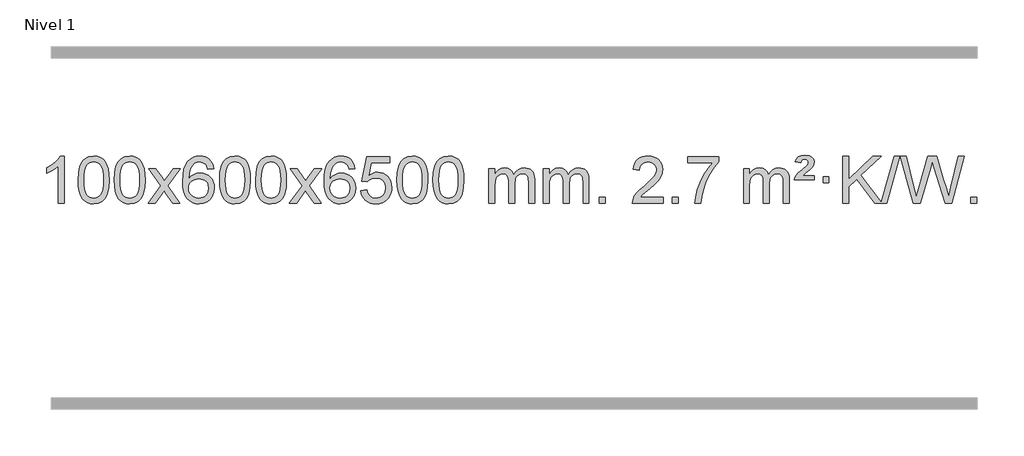
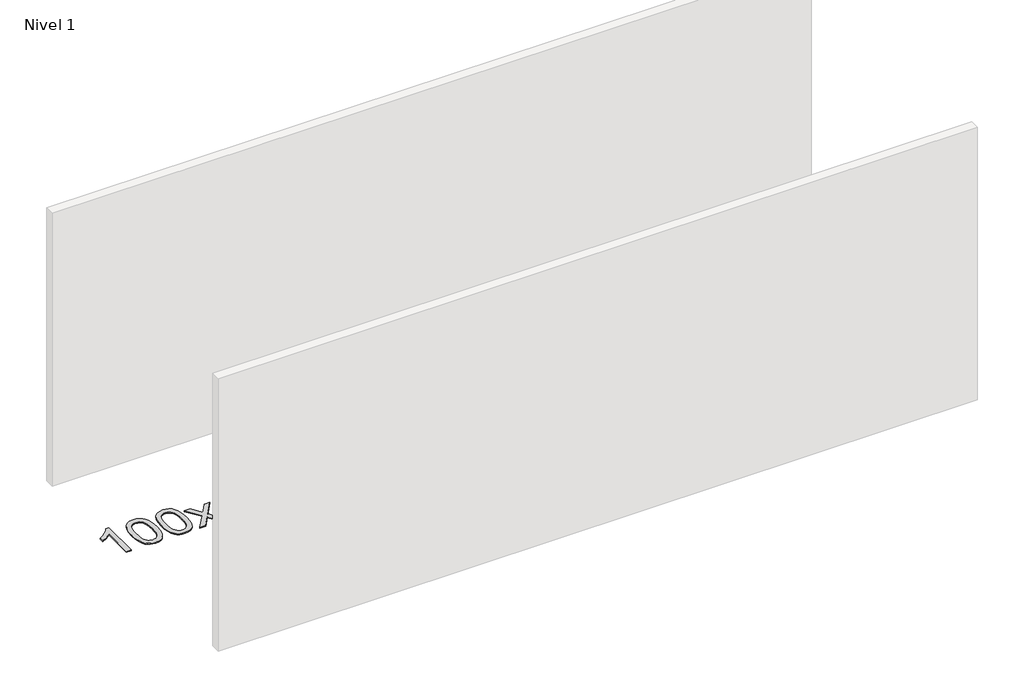
# One storey, part 17 of 25: 1 proxy.
"""IFC4 building model written with IfcOpenShell, lengths in millimetres."""

from ifc_helpers import new_model, si_unit, origin, origin_with_axes, place, context, project, spatial, polyline, outline, extrude, element, save

model = new_model("IFC4")

# Units and contexts
model_context = context("Model", 3, world=origin())
ifc_project = project(units=[si_unit("LENGTHUNIT", "METRE", prefix="MILLI")], contexts=[model_context])

# Site, building, storey
site = spatial("IfcSite", under=ifc_project)
building = spatial("IfcBuilding", under=site)
storey = spatial("IfcBuildingStorey", under=building, Name="Nivel 1", Elevation=0.0)

# Proxy
placement = place(None, origin())
element("IfcBuildingElementProxy", 1, Name="Texto de modelo 1", ObjectType="Texto de modelo 1", at=placement, inside=storey, context=model_context, shape_type="SweptSolid", body=[
    extrude(outline(polyline([(-121.6378538, -18485.579453), (-171.8660089, -18485.579453), (-171.8660089, -18172.4382987), (-192.8352826, -18189.3976587), (-219.4454136, -18206.3324932), (-272.3223191, -18231.6918254), (-272.3223191, -18184.2105225), (-232.8731065, -18162.7507395), (-198.6968691, -18137.219729), (-171.7556443, -18110.0700378), (-154.0114694, -18083.7542124), (-121.6378538, -18083.7542124), (-121.6378538, -18485.579453)])), origin_with_axes(), (0.0, 0.0, 1.0), 10.0),
    extrude(outline(polyline([(-2.3459855, -18287.9041943), (1.3450971, -18223.5861588), (12.4183452, -18172.2911459), (30.763394, -18133.2343407), (42.621457, -18118.0009605), (56.269879, -18105.6309284), (71.7546453, -18096.0598651), (89.1217412, -18089.2233914), (129.5029215, -18083.7542124), (160.4540601, -18086.991574), (188.167837, -18096.7036586), (211.3444027, -18112.5103217), (228.6839074, -18134.0314184), (241.7805065, -18161.0830078), (252.2283551, -18193.4811488), (259.0709602, -18234.6226186), (261.3518286, -18287.9041943), (257.6975341, -18351.8543477), (246.7346507, -18403.0267333), (228.4999664, -18442.1203266), (216.6694946, -18457.3996922), (203.0302696, -18469.8341036), (187.5271092, -18479.4695462), (170.1048311, -18486.3520052), (129.5029215, -18491.8579724), (101.8381955, -18489.4667394), (77.3127291, -18482.2930405), (55.9265225, -18470.3368757), (37.6795755, -18453.5982449), (20.1683926, -18423.3399508), (7.6604047, -18385.6381776), (0.155612, -18340.4929255), (-2.3459855, -18287.9041943)]), holes=[polyline([(47.8821695, -18287.8060924), (49.3536975, -18331.4706195), (53.7682815, -18366.8148822), (61.1259214, -18393.8388804), (71.4266172, -18412.5426142), (83.8855541, -18425.2682656), (97.7179171, -18434.3580165), (112.9237063, -18439.8118671), (129.5029215, -18441.6298173), (146.0821368, -18439.8057357), (161.2879259, -18434.3334911), (175.1202889, -18425.2130833), (187.5792258, -18412.4445124), (197.8799217, -18393.7101217), (205.2375616, -18366.6922549), (209.6521455, -18331.3909118), (211.1236735, -18287.8060924), (209.7011965, -18245.2973278), (205.4337653, -18210.5753989), (198.3213801, -18183.6403055), (188.3640408, -18164.4920476), (176.1135703, -18151.1440625), (162.1217918, -18141.6097875), (146.3887051, -18135.8892225), (128.9143103, -18133.9823675), (112.4209342, -18135.6623619), (97.4726625, -18140.7023452), (84.0694951, -18149.1023175), (72.2114321, -18160.8622786), (61.5673797, -18181.708925), (53.9644852, -18209.8151094), (49.4027484, -18245.1808319), (47.8821695, -18287.8060924)])]), origin_with_axes(), (0.0, 0.0, 1.0), 10.0),
    extrude(outline(polyline([(305.3014643, -18287.9041943), (308.992547, -18223.5861588), (320.065795, -18172.2911459), (338.4108439, -18133.2343407), (350.2689068, -18118.0009605), (363.9173289, -18105.6309284), (379.4020952, -18096.0598651), (396.769191, -18089.2233914), (437.1503714, -18083.7542124), (468.1015099, -18086.991574), (495.8152869, -18096.7036586), (518.9918526, -18112.5103217), (536.3313573, -18134.0314184), (549.4279563, -18161.0830078), (559.8758049, -18193.4811488), (566.7184101, -18234.6226186), (568.9992784, -18287.9041943), (565.3449839, -18351.8543477), (554.3821005, -18403.0267333), (536.1474163, -18442.1203266), (524.3169444, -18457.3996922), (510.6777195, -18469.8341036), (495.174559, -18479.4695462), (477.7522809, -18486.3520052), (437.1503714, -18491.8579724), (409.4856453, -18489.4667394), (384.960179, -18482.2930405), (363.5739723, -18470.3368757), (345.3270254, -18453.5982449), (327.8158424, -18423.3399508), (315.3078546, -18385.6381776), (307.8030619, -18340.4929255), (305.3014643, -18287.9041943)]), holes=[polyline([(355.5296194, -18287.8060924), (357.0011473, -18331.4706195), (361.4157313, -18366.8148822), (368.7733712, -18393.8388804), (379.0740671, -18412.5426142), (391.533004, -18425.2682656), (405.365367, -18434.3580165), (420.5711561, -18439.8118671), (437.1503714, -18441.6298173), (453.7295866, -18439.8057357), (468.9353757, -18434.3334911), (482.7677388, -18425.2130833), (495.2266757, -18412.4445124), (505.5273715, -18393.7101217), (512.8850114, -18366.6922549), (517.2995954, -18331.3909118), (518.7711234, -18287.8060924), (517.3486463, -18245.2973278), (513.0812152, -18210.5753989), (505.9688299, -18183.6403055), (496.0114906, -18164.4920476), (483.7610201, -18151.1440625), (469.7692416, -18141.6097875), (454.0361549, -18135.8892225), (436.5617602, -18133.9823675), (420.068384, -18135.6623619), (405.1201123, -18140.7023452), (391.716945, -18149.1023175), (379.858882, -18160.8622786), (369.2148296, -18181.708925), (361.611935, -18209.8151094), (357.0501983, -18245.1808319), (355.5296194, -18287.8060924)])]), origin_with_axes(), (0.0, 0.0, 1.0), 10.0),
    extrude(outline(polyline([(594.113356, -18485.579453), (701.4367967, -18337.1513307), (600.3918754, -18190.4890419), (660.6264207, -18190.4890419), (709.3830478, -18261.2204869), (732.2407824, -18294.4770192), (752.0573592, -18267.2047007), (807.583015, -18190.4890419), (868.0137641, -18190.4890419), (761.8675458, -18337.2494325), (864.0896895, -18485.579453), (803.7570423, -18485.579453), (742.1490708, -18396.3067555), (730.9654582, -18379.923744), (654.544105, -18485.579453), (594.113356, -18485.579453)])), origin_with_axes(), (0.0, 0.0, 1.0), 10.0),
    extrude(outline(polyline([(1152.9015812, -18190.4890419), (1102.6734261, -18196.7675613), (1094.5800222, -18171.874213), (1083.6416642, -18154.8780648), (1060.857506, -18139.2062918), (1033.3154073, -18133.9823675), (1009.9671633, -18137.0235253), (987.9923455, -18146.1469988), (969.1199991, -18165.3627017), (953.7057435, -18191.8134171), (943.2946831, -18229.227016), (939.4319221, -18281.3313693), (959.5795927, -18257.8237098), (983.7249143, -18241.2567573), (1010.5189863, -18231.434308), (1038.612908, -18228.1601582), (1062.7459669, -18230.398107), (1085.0150903, -18237.1119534), (1105.4202783, -18248.3016975), (1123.9615309, -18263.9673391), (1139.3696551, -18283.1769106), (1150.3754581, -18304.9984443), (1156.97894, -18329.4319401), (1159.1801006, -18356.4773982), (1155.0352967, -18392.4439945), (1142.6008853, -18425.786366), (1122.9069358, -18454.0642287), (1096.9835179, -18474.8372987), (1066.0078539, -18487.602804), (1031.1571662, -18491.8579724), (1001.2146375, -18489.0375437), (974.1722452, -18480.5762579), (950.0299893, -18466.4741147), (928.7878697, -18446.7311143), (911.4698248, -18420.5133908), (899.0997927, -18386.9870783), (891.6777734, -18346.1521768), (889.203767, -18298.0086864), (891.9506193, -18244.0342663), (900.191176, -18197.9693092), (913.9254371, -18159.8138149), (933.1534027, -18129.5677835), (953.9939177, -18109.5243462), (978.1576335, -18095.2076052), (1005.6445499, -18086.6175606), (1036.454667, -18083.7542124), (1059.5883131, -18085.5261773), (1080.52693, -18090.8420722), (1099.2705176, -18099.7018969), (1115.8190761, -18112.1056515), (1129.7250155, -18127.6364031), (1140.5407461, -18145.8772186), (1148.266268, -18166.8280983), (1152.9015812, -18190.4890419)]), holes=[polyline([(939.4319221, -18355.6925832), (942.3381899, -18377.9494439), (951.0569932, -18399.2007605), (964.5950506, -18417.472233), (981.9590807, -18430.7895612), (1002.9160917, -18438.9197533), (1027.2330916, -18441.6298173), (1060.3792594, -18436.0134855), (1074.2943959, -18428.9930708), (1086.4375674, -18419.1644901), (1096.2876078, -18406.9262824), (1103.323351, -18392.6769865), (1108.9519455, -18358.1451299), (1103.3969274, -18324.9989621), (1096.4531547, -18311.3781312), (1086.731873, -18299.725469), (1074.5519133, -18290.3904634), (1060.2321066, -18283.7226022), (1025.1729524, -18278.3883133), (992.0758356, -18283.7226022), (964.3988468, -18299.725469), (953.4758173, -18311.2248471), (945.6736533, -18324.3858254), (940.9923549, -18339.2084042), (939.4319221, -18355.6925832)])]), origin_with_axes(), (0.0, 0.0, 1.0), 10.0),
    extrude(outline(polyline([(1203.1297362, -18287.9041943), (1206.8208189, -18223.5861588), (1217.894067, -18172.2911459), (1236.2391158, -18133.2343407), (1248.0971788, -18118.0009605), (1261.7456008, -18105.6309284), (1277.2303671, -18096.0598651), (1294.597463, -18089.2233914), (1334.9786433, -18083.7542124), (1365.9297818, -18086.991574), (1393.6435588, -18096.7036586), (1416.8201245, -18112.5103217), (1434.1596292, -18134.0314184), (1447.2562282, -18161.0830078), (1457.7040769, -18193.4811488), (1464.546682, -18234.6226186), (1466.8275504, -18287.9041943), (1463.1732559, -18351.8543477), (1452.2103725, -18403.0267333), (1433.9756882, -18442.1203266), (1422.1452164, -18457.3996922), (1408.5059914, -18469.8341036), (1393.002831, -18479.4695462), (1375.5805529, -18486.3520052), (1334.9786433, -18491.8579724), (1307.3139173, -18489.4667394), (1282.7884509, -18482.2930405), (1261.4022443, -18470.3368757), (1243.1552973, -18453.5982449), (1225.6441144, -18423.3399508), (1213.1361265, -18385.6381776), (1205.6313338, -18340.4929255), (1203.1297362, -18287.9041943)]), holes=[polyline([(1253.3578913, -18287.8060924), (1254.8294193, -18331.4706195), (1259.2440032, -18366.8148822), (1266.6016432, -18393.8388804), (1276.902339, -18412.5426142), (1289.3612759, -18425.2682656), (1303.1936389, -18434.3580165), (1318.3994281, -18439.8118671), (1334.9786433, -18441.6298173), (1351.5578586, -18439.8057357), (1366.7636477, -18434.3334911), (1380.5960107, -18425.2130833), (1393.0549476, -18412.4445124), (1403.3556435, -18393.7101217), (1410.7132834, -18366.6922549), (1415.1278673, -18331.3909118), (1416.5993953, -18287.8060924), (1415.1769183, -18245.2973278), (1410.9094871, -18210.5753989), (1403.7971019, -18183.6403055), (1393.8397625, -18164.4920476), (1381.5892921, -18151.1440625), (1367.5975136, -18141.6097875), (1351.8644269, -18135.8892225), (1334.3900321, -18133.9823675), (1317.896656, -18135.6623619), (1302.9483843, -18140.7023452), (1289.5452169, -18149.1023175), (1277.6871539, -18160.8622786), (1267.0431015, -18181.708925), (1259.440207, -18209.8151094), (1254.8784702, -18245.1808319), (1253.3578913, -18287.8060924)])]), origin_with_axes(), (0.0, 0.0, 1.0), 10.0),
    extrude(outline(polyline([(1510.7771861, -18287.9041943), (1514.4682688, -18223.5861588), (1525.5415168, -18172.2911459), (1543.8865656, -18133.2343407), (1555.7446286, -18118.0009605), (1569.3930506, -18105.6309284), (1584.877817, -18096.0598651), (1602.2449128, -18089.2233914), (1642.6260932, -18083.7542124), (1673.5772317, -18086.991574), (1701.2910087, -18096.7036586), (1724.4675743, -18112.5103217), (1741.8070791, -18134.0314184), (1754.9036781, -18161.0830078), (1765.3515267, -18193.4811488), (1772.1941319, -18234.6226186), (1774.4750002, -18287.9041943), (1770.8207057, -18351.8543477), (1759.8578223, -18403.0267333), (1741.6231381, -18442.1203266), (1729.7926662, -18457.3996922), (1716.1534413, -18469.8341036), (1700.6502808, -18479.4695462), (1683.2280027, -18486.3520052), (1642.6260932, -18491.8579724), (1614.9613671, -18489.4667394), (1590.4359008, -18482.2930405), (1569.0496941, -18470.3368757), (1550.8027472, -18453.5982449), (1533.2915642, -18423.3399508), (1520.7835764, -18385.6381776), (1513.2787836, -18340.4929255), (1510.7771861, -18287.9041943)]), holes=[polyline([(1561.0053412, -18287.8060924), (1562.4768691, -18331.4706195), (1566.8914531, -18366.8148822), (1574.249093, -18393.8388804), (1584.5497888, -18412.5426142), (1597.0087258, -18425.2682656), (1610.8410888, -18434.3580165), (1626.0468779, -18439.8118671), (1642.6260932, -18441.6298173), (1659.2053084, -18439.8057357), (1674.4110975, -18434.3334911), (1688.2434606, -18425.2130833), (1700.7023975, -18412.4445124), (1711.0030933, -18393.7101217), (1718.3607332, -18366.6922549), (1722.7753172, -18331.3909118), (1724.2468452, -18287.8060924), (1722.8243681, -18245.2973278), (1718.556937, -18210.5753989), (1711.4445517, -18183.6403055), (1701.4872124, -18164.4920476), (1689.2367419, -18151.1440625), (1675.2449634, -18141.6097875), (1659.5118767, -18135.8892225), (1642.037482, -18133.9823675), (1625.5441058, -18135.6623619), (1610.5958341, -18140.7023452), (1597.1926667, -18149.1023175), (1585.3346038, -18160.8622786), (1574.6905514, -18181.708925), (1567.0876568, -18209.8151094), (1562.5259201, -18245.1808319), (1561.0053412, -18287.8060924)])]), origin_with_axes(), (0.0, 0.0, 1.0), 10.0),
    extrude(outline(polyline([(1799.5890778, -18485.579453), (1906.9125185, -18337.1513307), (1805.8675971, -18190.4890419), (1866.1021425, -18190.4890419), (1914.8587696, -18261.2204869), (1937.7165042, -18294.4770192), (1957.533081, -18267.2047007), (2013.0587368, -18190.4890419), (2073.4894859, -18190.4890419), (1967.3432676, -18337.2494325), (2069.5654113, -18485.579453), (2009.2327641, -18485.579453), (1947.6247926, -18396.3067555), (1936.44118, -18379.923744), (1860.0198268, -18485.579453), (1799.5890778, -18485.579453)])), origin_with_axes(), (0.0, 0.0, 1.0), 10.0),
    extrude(outline(polyline([(2358.377303, -18190.4890419), (2308.1491479, -18196.7675613), (2300.055744, -18171.874213), (2289.117386, -18154.8780648), (2266.3332278, -18139.2062918), (2238.7911291, -18133.9823675), (2215.4428851, -18137.0235253), (2193.4680673, -18146.1469988), (2174.5957209, -18165.3627017), (2159.1814653, -18191.8134171), (2148.7704049, -18229.227016), (2144.9076439, -18281.3313693), (2165.0553145, -18257.8237098), (2189.2006361, -18241.2567573), (2215.9947081, -18231.434308), (2244.0886298, -18228.1601582), (2268.2216887, -18230.398107), (2290.4908121, -18237.1119534), (2310.8960001, -18248.3016975), (2329.4372527, -18263.9673391), (2344.8453769, -18283.1769106), (2355.8511799, -18304.9984443), (2362.4546617, -18329.4319401), (2364.6558224, -18356.4773982), (2360.5110185, -18392.4439945), (2348.0766071, -18425.786366), (2328.3826576, -18454.0642287), (2302.4592397, -18474.8372987), (2271.4835757, -18487.602804), (2236.632888, -18491.8579724), (2206.6903593, -18489.0375437), (2179.647967, -18480.5762579), (2155.505711, -18466.4741147), (2134.2635915, -18446.7311143), (2116.9455466, -18420.5133908), (2104.5755145, -18386.9870783), (2097.1534952, -18346.1521768), (2094.6794888, -18298.0086864), (2097.4263411, -18244.0342663), (2105.6668977, -18197.9693092), (2119.4011589, -18159.8138149), (2138.6291245, -18129.5677835), (2159.4696395, -18109.5243462), (2183.6333553, -18095.2076052), (2211.1202717, -18086.6175606), (2241.9303888, -18083.7542124), (2265.0640349, -18085.5261773), (2286.0026518, -18090.8420722), (2304.7462394, -18099.7018969), (2321.2947979, -18112.1056515), (2335.2007373, -18127.6364031), (2346.0164679, -18145.8772186), (2353.7419898, -18166.8280983), (2358.377303, -18190.4890419)]), holes=[polyline([(2144.9076439, -18355.6925832), (2147.8139117, -18377.9494439), (2156.5327149, -18399.2007605), (2170.0707724, -18417.472233), (2187.4348025, -18430.7895612), (2208.3918135, -18438.9197533), (2232.7088134, -18441.6298173), (2265.8549812, -18436.0134855), (2279.7701177, -18428.9930708), (2291.9132892, -18419.1644901), (2301.7633296, -18406.9262824), (2308.7990728, -18392.6769865), (2314.4276673, -18358.1451299), (2308.8726492, -18324.9989621), (2301.9288765, -18311.3781312), (2292.2075948, -18299.725469), (2280.027635, -18290.3904634), (2265.7078284, -18283.7226022), (2230.6486742, -18278.3883133), (2197.5515574, -18283.7226022), (2169.8745686, -18299.725469), (2158.9515391, -18311.2248471), (2151.1493751, -18324.3858254), (2146.4680767, -18339.2084042), (2144.9076439, -18355.6925832)])]), origin_with_axes(), (0.0, 0.0, 1.0), 10.0),
    extrude(outline(polyline([(2408.605458, -18378.8446235), (2458.8336131, -18372.5661041), (2468.0551885, -18402.7201649), (2484.1438944, -18424.3148381), (2507.0261545, -18437.3010725), (2536.6283924, -18441.6298173), (2555.7582561, -18440.1245668), (2572.631777, -18435.6088153), (2587.2489549, -18428.0825628), (2599.6097899, -18417.5458094), (2609.4383706, -18404.519721), (2616.4587853, -18389.5254641), (2622.0751171, -18353.6324441), (2616.8144046, -18319.8363514), (2610.2385139, -18305.9181493), (2601.032267, -18293.9865099), (2589.165007, -18284.4154467), (2574.606077, -18277.5789729), (2537.4132073, -18272.1097939), (2513.0471565, -18274.2925604), (2493.3164188, -18280.8408599), (2477.5588067, -18290.8717757), (2465.1121325, -18303.5023908), (2414.8839774, -18297.2238715), (2458.8336131, -18090.0327318), (2653.467714, -18090.0327318), (2653.467714, -18140.2608869), (2499.4477854, -18140.2608869), (2477.865375, -18250.919791), (2495.5911558, -18238.2155994), (2513.7461323, -18229.1411769), (2532.3303044, -18223.6965234), (2551.3436722, -18221.8816388), (2575.8078249, -18224.1318504), (2598.2854148, -18230.882485), (2618.7764419, -18242.1335427), (2637.2809062, -18257.8850234), (2652.6031913, -18277.1743027), (2663.5476807, -18299.038756), (2670.1143743, -18323.4783832), (2672.3032722, -18350.4931844), (2670.3351035, -18376.5147042), (2664.4305975, -18400.7213394), (2654.5897541, -18423.1130902), (2640.8125734, -18443.6899565), (2619.9414015, -18464.7634634), (2595.5876135, -18479.8159684), (2567.7512092, -18488.8474714), (2536.4321886, -18491.8579724), (2510.5118364, -18489.9235262), (2487.0992131, -18484.1201877), (2466.1943187, -18474.447957), (2447.7971533, -18460.9068338), (2432.4901966, -18444.1712688), (2420.8559285, -18424.915712), (2412.894349, -18403.1401636), (2408.605458, -18378.8446235)])), origin_with_axes(), (0.0, 0.0, 1.0), 10.0),
    extrude(outline(polyline([(2716.2529079, -18287.9041943), (2719.9439906, -18223.5861588), (2731.0172386, -18172.2911459), (2749.3622874, -18133.2343407), (2761.2203504, -18118.0009605), (2774.8687724, -18105.6309284), (2790.3535388, -18096.0598651), (2807.7206346, -18089.2233914), (2848.1018149, -18083.7542124), (2879.0529535, -18086.991574), (2906.7667304, -18096.7036586), (2929.9432961, -18112.5103217), (2947.2828008, -18134.0314184), (2960.3793999, -18161.0830078), (2970.8272485, -18193.4811488), (2977.6698537, -18234.6226186), (2979.950722, -18287.9041943), (2976.2964275, -18351.8543477), (2965.3335441, -18403.0267333), (2947.0988599, -18442.1203266), (2935.268388, -18457.3996922), (2921.6291631, -18469.8341036), (2906.1260026, -18479.4695462), (2888.7037245, -18486.3520052), (2848.1018149, -18491.8579724), (2820.4370889, -18489.4667394), (2795.9116226, -18482.2930405), (2774.5254159, -18470.3368757), (2756.278469, -18453.5982449), (2738.767286, -18423.3399508), (2726.2592981, -18385.6381776), (2718.7545054, -18340.4929255), (2716.2529079, -18287.9041943)]), holes=[polyline([(2766.481063, -18287.8060924), (2767.9525909, -18331.4706195), (2772.3671749, -18366.8148822), (2779.7248148, -18393.8388804), (2790.0255106, -18412.5426142), (2802.4844475, -18425.2682656), (2816.3168106, -18434.3580165), (2831.5225997, -18439.8118671), (2848.1018149, -18441.6298173), (2864.6810302, -18439.8057357), (2879.8868193, -18434.3334911), (2893.7191824, -18425.2130833), (2906.1781193, -18412.4445124), (2916.4788151, -18393.7101217), (2923.836455, -18366.6922549), (2928.251039, -18331.3909118), (2929.7225669, -18287.8060924), (2928.3000899, -18245.2973278), (2924.0326588, -18210.5753989), (2916.9202735, -18183.6403055), (2906.9629342, -18164.4920476), (2894.7124637, -18151.1440625), (2880.7206852, -18141.6097875), (2864.9875985, -18135.8892225), (2847.5132038, -18133.9823675), (2831.0198276, -18135.6623619), (2816.0715559, -18140.7023452), (2802.6683885, -18149.1023175), (2790.8103256, -18160.8622786), (2780.1662732, -18181.708925), (2772.5633786, -18209.8151094), (2768.0016419, -18245.1808319), (2766.481063, -18287.8060924)])]), origin_with_axes(), (0.0, 0.0, 1.0), 10.0),
    extrude(outline(polyline([(3023.9003577, -18287.9041943), (3027.5914404, -18223.5861588), (3038.6646885, -18172.2911459), (3057.0097373, -18133.2343407), (3068.8678003, -18118.0009605), (3082.5162223, -18105.6309284), (3098.0009886, -18096.0598651), (3115.3680844, -18089.2233914), (3155.7492648, -18083.7542124), (3186.7004033, -18086.991574), (3214.4141803, -18096.7036586), (3237.590746, -18112.5103217), (3254.9302507, -18134.0314184), (3268.0268497, -18161.0830078), (3278.4746984, -18193.4811488), (3285.3173035, -18234.6226186), (3287.5981719, -18287.9041943), (3283.9438774, -18351.8543477), (3272.9809939, -18403.0267333), (3254.7463097, -18442.1203266), (3242.9158379, -18457.3996922), (3229.2766129, -18469.8341036), (3213.7734525, -18479.4695462), (3196.3511743, -18486.3520052), (3155.7492648, -18491.8579724), (3128.0845387, -18489.4667394), (3103.5590724, -18482.2930405), (3082.1728657, -18470.3368757), (3063.9259188, -18453.5982449), (3046.4147358, -18423.3399508), (3033.906748, -18385.6381776), (3026.4019553, -18340.4929255), (3023.9003577, -18287.9041943)]), holes=[polyline([(3074.1285128, -18287.8060924), (3075.6000408, -18331.4706195), (3080.0146247, -18366.8148822), (3087.3722646, -18393.8388804), (3097.6729605, -18412.5426142), (3110.1318974, -18425.2682656), (3123.9642604, -18434.3580165), (3139.1700495, -18439.8118671), (3155.7492648, -18441.6298173), (3172.32848, -18439.8057357), (3187.5342692, -18434.3334911), (3201.3666322, -18425.2130833), (3213.8255691, -18412.4445124), (3224.126265, -18393.7101217), (3231.4839049, -18366.6922549), (3235.8984888, -18331.3909118), (3237.3700168, -18287.8060924), (3235.9475397, -18245.2973278), (3231.6801086, -18210.5753989), (3224.5677233, -18183.6403055), (3214.610384, -18164.4920476), (3202.3599136, -18151.1440625), (3188.368135, -18141.6097875), (3172.6350484, -18135.8892225), (3155.1606536, -18133.9823675), (3138.6672775, -18135.6623619), (3123.7190057, -18140.7023452), (3110.3158384, -18149.1023175), (3098.4577754, -18160.8622786), (3087.813723, -18181.708925), (3080.2108284, -18209.8151094), (3075.6490917, -18245.1808319), (3074.1285128, -18287.8060924)])]), origin_with_axes(), (0.0, 0.0, 1.0), 10.0),
    extrude(outline(polyline([(3501.0678309, -18485.579453), (3501.0678309, -18190.4890419), (3551.295986, -18190.4890419), (3551.295986, -18239.0494653), (3566.4036733, -18216.7435537), (3585.8278426, -18199.2691589), (3608.9063064, -18187.9751816), (3634.9768772, -18184.2105225), (3662.9113833, -18188.048758), (3685.3031341, -18199.5634645), (3702.0295022, -18217.9943524), (3712.9678601, -18242.5811324), (3731.2761208, -18217.0439906), (3752.1595554, -18198.803175), (3775.6181639, -18187.8586857), (3801.6519464, -18184.2105225), (3821.7597632, -18185.7280358), (3839.4089019, -18190.2805755), (3854.5993626, -18197.8681416), (3867.3311453, -18208.4907342), (3877.3957836, -18222.2709806), (3884.5848109, -18239.3315082), (3888.8982273, -18259.6723168), (3890.3360328, -18283.2934066), (3890.3360328, -18485.579453), (3840.1078777, -18485.579453), (3840.1078777, -18304.875817), (3838.942918, -18279.8230531), (3835.4480391, -18262.9372695), (3828.8997396, -18251.3735121), (3818.5745182, -18242.2868268), (3805.2939782, -18236.4007149), (3789.8797226, -18234.4386776), (3762.6687177, -18239.4663982), (3740.4854334, -18254.54956), (3731.8800604, -18266.1194488), (3725.7333654, -18280.7182326), (3720.8160094, -18319.0024856), (3720.8160094, -18485.579453), (3670.5878543, -18485.579453), (3670.5878543, -18299.2840106), (3667.6815865, -18270.8835206), (3658.9627833, -18250.6254854), (3643.6221041, -18238.4853796), (3620.8502086, -18234.4386776), (3601.4996156, -18237.1364789), (3583.6696016, -18245.2298828), (3568.9543218, -18258.5226856), (3558.9479315, -18276.8186835), (3553.2089724, -18302.2025411), (3551.295986, -18336.7589232), (3551.295986, -18485.579453), (3501.0678309, -18485.579453)])), origin_with_axes(), (0.0, 0.0, 1.0), 10.0),
    extrude(outline(polyline([(3965.6782654, -18485.579453), (3965.6782654, -18190.4890419), (4015.9064204, -18190.4890419), (4015.9064204, -18239.0494653), (4031.0141077, -18216.7435537), (4050.4382771, -18199.2691589), (4073.5167409, -18187.9751816), (4099.5873116, -18184.2105225), (4127.5218178, -18188.048758), (4149.9135685, -18199.5634645), (4166.6399366, -18217.9943524), (4177.5782946, -18242.5811324), (4195.8865552, -18217.0439906), (4216.7699898, -18198.803175), (4240.2285984, -18187.8586857), (4266.2623809, -18184.2105225), (4286.3701976, -18185.7280358), (4304.0193363, -18190.2805755), (4319.209797, -18197.8681416), (4331.9415798, -18208.4907342), (4342.006218, -18222.2709806), (4349.1952453, -18239.3315082), (4353.5086617, -18259.6723168), (4354.9464672, -18283.2934066), (4354.9464672, -18485.579453), (4304.7183121, -18485.579453), (4304.7183121, -18304.875817), (4303.5533525, -18279.8230531), (4300.0584735, -18262.9372695), (4293.510174, -18251.3735121), (4283.1849527, -18242.2868268), (4269.9044126, -18236.4007149), (4254.490157, -18234.4386776), (4227.2791521, -18239.4663982), (4205.0958678, -18254.54956), (4196.4904948, -18266.1194488), (4190.3437998, -18280.7182326), (4185.4264438, -18319.0024856), (4185.4264438, -18485.579453), (4135.1982887, -18485.579453), (4135.1982887, -18299.2840106), (4132.292021, -18270.8835206), (4123.5732177, -18250.6254854), (4108.2325385, -18238.4853796), (4085.460643, -18234.4386776), (4066.11005, -18237.1364789), (4048.280036, -18245.2298828), (4033.5647562, -18258.5226856), (4023.5583659, -18276.8186835), (4017.8194068, -18302.2025411), (4015.9064204, -18336.7589232), (4015.9064204, -18485.579453), (3965.6782654, -18485.579453)])), origin_with_axes(), (0.0, 0.0, 1.0), 10.0),
    extrude(outline(polyline([(4442.8457386, -18485.579453), (4442.8457386, -18435.3512979), (4493.0738936, -18435.3512979), (4493.0738936, -18485.579453), (4442.8457386, -18485.579453)])), origin_with_axes(), (0.0, 0.0, 1.0), 10.0),
    extrude(outline(polyline([(4989.076925, -18435.3512979), (4989.076925, -18485.579453), (4725.3791109, -18485.579453), (4726.4827569, -18467.8965918), (4730.7747135, -18450.9494945), (4743.1723367, -18423.8856424), (4761.3334445, -18397.6311307), (4787.5879563, -18370.1503456), (4824.2657912, -18339.4076736), (4878.4548091, -18291.2641831), (4910.9387892, -18255.7267824), (4927.1623852, -18226.884834), (4932.5702506, -18198.8277005), (4927.4566908, -18173.6768347), (4912.1160116, -18152.7688747), (4888.5347757, -18138.6789943), (4858.6995459, -18133.9823675), (4827.3682627, -18138.5686297), (4803.0267373, -18152.3274163), (4787.3181761, -18174.1796068), (4781.8857853, -18203.0460807), (4731.6576303, -18196.7675613), (4735.977178, -18170.838012), (4743.8345243, -18148.1826125), (4755.2296691, -18128.8013627), (4770.1626124, -18112.6942627), (4788.2899977, -18100.0329907), (4809.2684685, -18090.989225), (4833.0980247, -18085.5629655), (4859.7786664, -18083.7542124), (4886.6984314, -18085.7653006), (4910.6567464, -18091.7985654), (4931.6536112, -18101.8540066), (4949.6890261, -18115.9316242), (4964.1743796, -18132.9890861), (4974.5210607, -18151.9840598), (4980.7290694, -18172.9165453), (4982.7984056, -18195.7865427), (4980.5665882, -18219.8092369), (4973.8711359, -18243.4149983), (4961.9885474, -18267.4254299), (4944.1953216, -18292.6621347), (4915.8316198, -18322.7916701), (4872.2376033, -18361.4805933), (4814.4556046, -18409.795762), (4791.7940737, -18435.3512979), (4989.076925, -18435.3512979)])), origin_with_axes(), (0.0, 0.0, 1.0), 10.0),
    extrude(outline(polyline([(5064.4191576, -18485.579453), (5064.4191576, -18435.3512979), (5114.6473127, -18435.3512979), (5114.6473127, -18485.579453), (5064.4191576, -18485.579453)])), origin_with_axes(), (0.0, 0.0, 1.0), 10.0),
    extrude(outline(polyline([(5196.2680647, -18140.2608869), (5196.2680647, -18090.0327318), (5459.9658788, -18090.0327318), (5459.9658788, -18130.646904), (5422.3806017, -18178.214046), (5385.1632065, -18238.7061088), (5352.3358698, -18306.6048623), (5327.920768, -18376.3920768), (5315.9523405, -18428.6067947), (5309.2814136, -18485.579453), (5259.0532585, -18485.579453), (5264.4856493, -18433.8061935), (5279.0169881, -18372.2717985), (5302.2548675, -18307.0463207), (5333.80688, -18244.1998132), (5370.6441304, -18187.3865704), (5409.7377238, -18140.2608869), (5196.2680647, -18140.2608869)])), origin_with_axes(), (0.0, 0.0, 1.0), 10.0),
    extrude(outline(polyline([(5673.4355379, -18485.579453), (5673.4355379, -18190.4890419), (5723.663693, -18190.4890419), (5723.663693, -18239.0494653), (5738.7713803, -18216.7435537), (5758.1955496, -18199.2691589), (5781.2740134, -18187.9751816), (5807.3445842, -18184.2105225), (5835.2790903, -18188.048758), (5857.6708411, -18199.5634645), (5874.3972091, -18217.9943524), (5885.3355671, -18242.5811324), (5903.6438278, -18217.0439906), (5924.5272623, -18198.803175), (5947.9858709, -18187.8586857), (5974.0196534, -18184.2105225), (5994.1274702, -18185.7280358), (6011.7766089, -18190.2805755), (6026.9670696, -18197.8681416), (6039.6988523, -18208.4907342), (6049.7634906, -18222.2709806), (6056.9525179, -18239.3315082), (6061.2659343, -18259.6723168), (6062.7037397, -18283.2934066), (6062.7037397, -18485.579453), (6012.4755847, -18485.579453), (6012.4755847, -18304.875817), (6011.310625, -18279.8230531), (6007.8157461, -18262.9372695), (6001.2674465, -18251.3735121), (5990.9422252, -18242.2868268), (5977.6616852, -18236.4007149), (5962.2474296, -18234.4386776), (5935.0364247, -18239.4663982), (5912.8531404, -18254.54956), (5904.2477674, -18266.1194488), (5898.1010724, -18280.7182326), (5893.1837164, -18319.0024856), (5893.1837164, -18485.579453), (5842.9555613, -18485.579453), (5842.9555613, -18299.2840106), (5840.0492935, -18270.8835206), (5831.3304902, -18250.6254854), (5815.989811, -18238.4853796), (5793.2179155, -18234.4386776), (5773.8673226, -18237.1364789), (5756.0373086, -18245.2298828), (5741.3220287, -18258.5226856), (5731.3156385, -18276.8186835), (5725.5766794, -18302.2025411), (5723.663693, -18336.7589232), (5723.663693, -18485.579453), (5673.4355379, -18485.579453)])), origin_with_axes(), (0.0, 0.0, 1.0), 10.0),
    extrude(outline(polyline([(6106.6533754, -18284.6668327), (6110.4793482, -18268.8479069), (6118.8180067, -18252.9799302), (6140.3268407, -18227.8413272), (6172.2835234, -18200.1030247), (6216.4293628, -18162.726214), (6223.5662735, -18151.1992448), (6225.9452437, -18139.3779701), (6224.0567828, -18127.2869152), (6218.3914001, -18117.5012541), (6209.022672, -18111.026531), (6196.0241748, -18108.8682899), (6183.5897634, -18110.4869707), (6174.73607, -18115.343013), (6168.3103978, -18124.8098431), (6163.1600499, -18140.2608869), (6112.9318948, -18133.9823675), (6123.7721509, -18108.7701881), (6140.4004171, -18091.2099542), (6164.165594, -18080.9092583), (6196.4165822, -18077.475693), (6232.1992376, -18081.6082341), (6256.9454332, -18094.0058573), (6271.3664074, -18112.3386434), (6276.1733988, -18134.2766731), (6272.0776459, -18157.1834586), (6259.7903873, -18178.8149199), (6239.262572, -18198.6314968), (6202.7932035, -18226.6886303), (6177.1886166, -18253.2742358), (6276.1733988, -18253.2742358), (6276.1733988, -18284.6668327), (6106.6533754, -18284.6668327)])), origin_with_axes(), (0.0, 0.0, 1.0), 10.0),
    extrude(outline(polyline([(6351.5156314, -18309.7809102), (6351.5156314, -18259.5527552), (6401.7437865, -18259.5527552), (6401.7437865, -18309.7809102), (6351.5156314, -18309.7809102)])), origin_with_axes(), (0.0, 0.0, 1.0), 10.0),
    extrude(outline(polyline([(6792.3854144, -18485.579453), (6638.8559951, -18282.9009991), (6571.2638099, -18347.4520265), (6571.2638099, -18485.579453), (6521.0356548, -18485.579453), (6521.0356548, -18083.7542124), (6571.2638099, -18083.7542124), (6571.2638099, -18280.4484525), (6777.2777272, -18083.7542124), (6847.5186628, -18083.7542124), (6674.4669722, -18248.9577537), (6849.2180057, -18479.5373449), (6960.5320117, -18083.7542124), (7006.0512772, -18083.7542124), (6892.9398265, -18485.579453), (6853.7971822, -18485.579453), (6847.5186628, -18485.579453), (6792.3854144, -18485.579453)])), origin_with_axes(), (0.0, 0.0, 1.0), 10.0),
    extrude(outline(polyline([(7120.3399504, -18485.579453), (7010.7601668, -18083.7542124), (7062.5579517, -18083.7542124), (7126.1279605, -18347.844434), (7145.7483335, -18429.3670841), (7166.7421327, -18357.2622131), (7246.4008474, -18083.7542124), (7321.056367, -18083.7542124), (7378.9364675, -18282.0180823), (7403.731714, -18355.5944814), (7422.0031864, -18429.3670841), (7441.0349483, -18350.1988788), (7505.0954664, -18083.7542124), (7556.9913532, -18083.7542124), (7447.5096714, -18485.579453), (7393.7498492, -18485.579453), (7297.3157155, -18175.5775584), (7283.87576, -18132.3146358), (7268.7680727, -18184.4067263), (7180.9669032, -18485.579453), (7120.3399504, -18485.579453)])), origin_with_axes(), (0.0, 0.0, 1.0), 10.0),
    extrude(outline(polyline([(7613.4980277, -18485.579453), (7613.4980277, -18435.3512979), (7663.7261827, -18435.3512979), (7663.7261827, -18485.579453), (7613.4980277, -18485.579453)])), origin_with_axes(), (0.0, 0.0, 1.0), 10.0),
])

save(model, "model.ifc")
